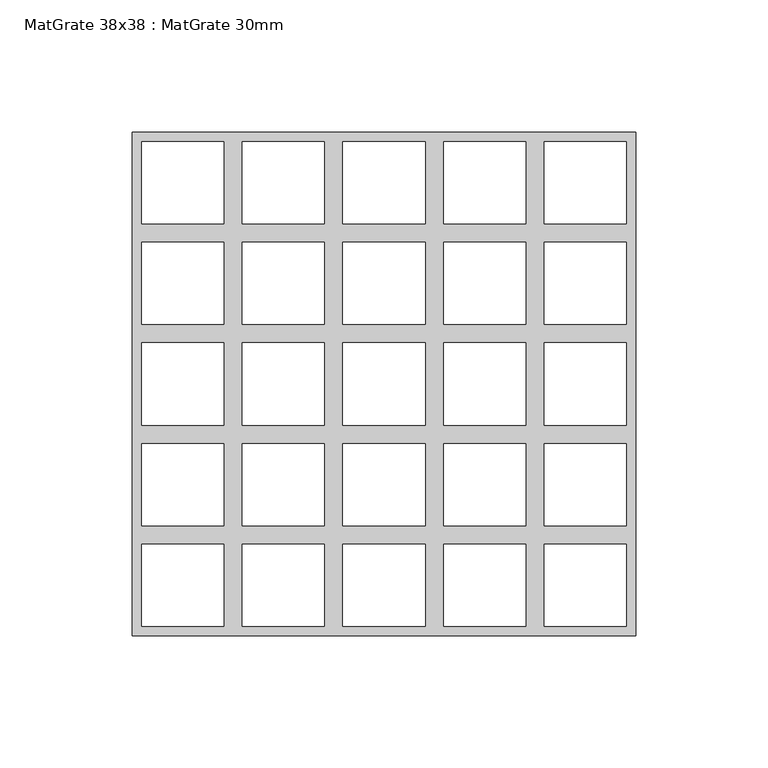
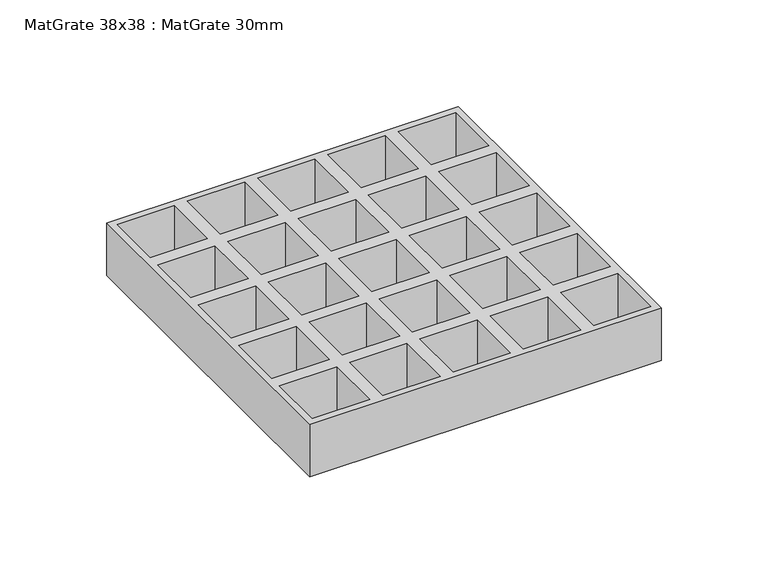
"""IFC4 building model written with IfcOpenShell, lengths in millimetres: proxy geometry, MatGrate 38x38 : MatGrate 30mm."""

from ifc_helpers import new_model, si_unit, origin, origin_with_axes, place, context, project, spatial, polyline, outline, extrude, source, transform, mapped, element, save


def matgrate_38x38_matgrate_30mm_2243bb10(model_context):
    return source(origin(), model_context, "Body", "SweptSolid", [
        extrude(outline(polyline([(95.0, -95.0), (-95.0, -95.0), (-95.0, 95.0), (95.0, 95.0), (95.0, -95.0)]), holes=[polyline([(91.5, 60.5), (91.5, 91.5), (60.5, 91.5), (60.5, 60.5), (91.5, 60.5)]), polyline([(60.5, 53.5), (60.5, 22.5), (91.5, 22.5), (91.5, 53.5), (60.5, 53.5)]), polyline([(60.5, 15.5), (60.5, -15.5), (91.5, -15.5), (91.5, 15.5), (60.5, 15.5)]), polyline([(60.5, -22.5), (60.5, -53.5), (91.5, -53.5), (91.5, -22.5), (60.5, -22.5)]), polyline([(60.5, -60.5), (60.5, -91.5), (91.5, -91.5), (91.5, -60.5), (60.5, -60.5)]), polyline([(53.5, -60.5), (22.5, -60.5), (22.5, -91.5), (53.5, -91.5), (53.5, -60.5)]), polyline([(15.5, -60.5), (-15.5, -60.5), (-15.5, -91.5), (15.5, -91.5), (15.5, -60.5)]), polyline([(-22.5, -60.5), (-53.5, -60.5), (-53.5, -91.5), (-22.5, -91.5), (-22.5, -60.5)]), polyline([(-60.5, -60.5), (-91.5, -60.5), (-91.5, -91.5), (-60.5, -91.5), (-60.5, -60.5)]), polyline([(-91.5, 60.5), (-60.5, 60.5), (-60.5, 91.5), (-91.5, 91.5), (-91.5, 60.5)]), polyline([(-53.5, 60.5), (-22.5, 60.5), (-22.5, 91.5), (-53.5, 91.5), (-53.5, 60.5)]), polyline([(-15.5, 60.5), (15.5, 60.5), (15.5, 91.5), (-15.5, 91.5), (-15.5, 60.5)]), polyline([(22.5, 60.5), (53.5, 60.5), (53.5, 91.5), (22.5, 91.5), (22.5, 60.5)]), polyline([(-91.5, 53.5), (-91.5, 22.5), (-60.5, 22.5), (-60.5, 53.5), (-91.5, 53.5)]), polyline([(-53.5, 53.5), (-53.5, 22.5), (-22.5, 22.5), (-22.5, 53.5), (-53.5, 53.5)]), polyline([(-15.5, 53.5), (-15.5, 22.5), (15.5, 22.5), (15.5, 53.5), (-15.5, 53.5)]), polyline([(22.5, 53.5), (22.5, 22.5), (53.5, 22.5), (53.5, 53.5), (22.5, 53.5)]), polyline([(-91.5, 15.5), (-91.5, -15.5), (-60.5, -15.5), (-60.5, 15.5), (-91.5, 15.5)]), polyline([(-53.5, 15.5), (-53.5, -15.5), (-22.5, -15.5), (-22.5, 15.5), (-53.5, 15.5)]), polyline([(-15.5, 15.5), (-15.5, -15.5), (15.5, -15.5), (15.5, 15.5), (-15.5, 15.5)]), polyline([(22.5, 15.5), (22.5, -15.5), (53.5, -15.5), (53.5, 15.5), (22.5, 15.5)]), polyline([(-91.5, -22.5), (-91.5, -53.5), (-60.5, -53.5), (-60.5, -22.5), (-91.5, -22.5)]), polyline([(-53.5, -22.5), (-53.5, -53.5), (-22.5, -53.5), (-22.5, -22.5), (-53.5, -22.5)]), polyline([(-15.5, -22.5), (-15.5, -53.5), (15.5, -53.5), (15.5, -22.5), (-15.5, -22.5)]), polyline([(22.5, -22.5), (22.5, -53.5), (53.5, -53.5), (53.5, -22.5), (22.5, -22.5)])]), origin_with_axes(), (0.0, 0.0, 1.0), 30.0),
    ])


if __name__ == "__main__":
    model = new_model("IFC4")
    model_context = context("Model", 3, world=origin())
    ifc_project = project(units=[si_unit("LENGTHUNIT", "METRE", prefix="MILLI")], contexts=[model_context])
    site = spatial("IfcSite", under=ifc_project)
    building = spatial("IfcBuilding", under=site)
    placement = place(None, origin())
    matgrate_38x38_matgrate_30mm_shape = matgrate_38x38_matgrate_30mm_2243bb10(model_context)
    element("IfcBuildingElementProxy", 1, Name="MatGrate 38x38 : MatGrate 30mm", ObjectType="MatGrate 38x38 : MatGrate 30mm", at=placement, inside=building, context=model_context, shape_type="MappedRepresentation", body=[
        mapped(matgrate_38x38_matgrate_30mm_shape, transform((0.0, 0.0, 0.0), x_axis=(1.0, 0.0, 0.0), y_axis=(0.0, 1.0, 0.0), z_axis=(0.0, 0.0, 1.0))),
    ])
    save(model, "model.ifc")
